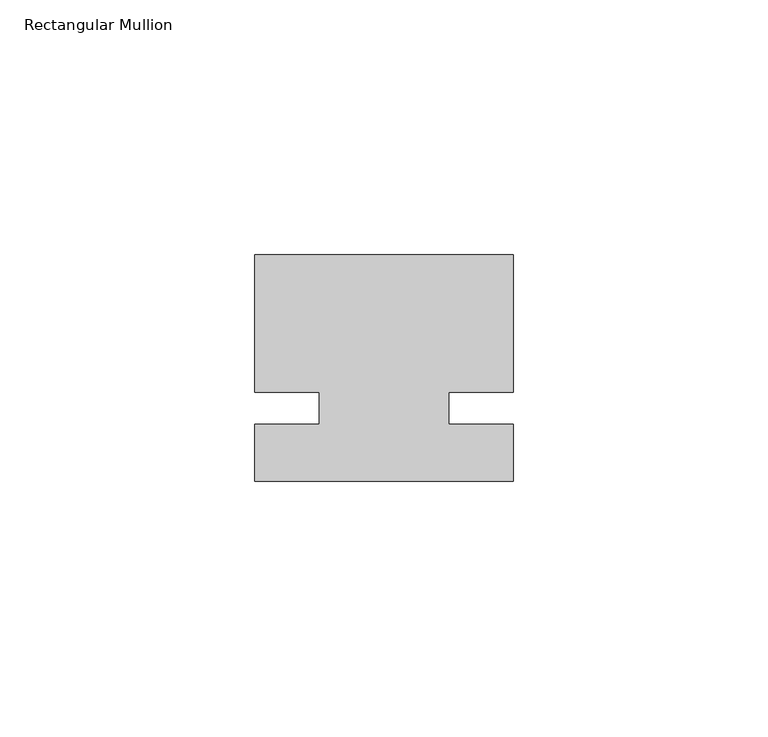
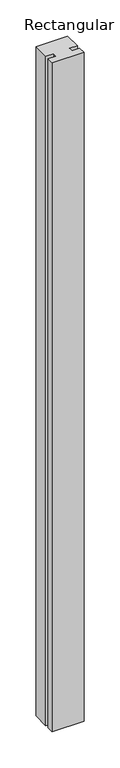
"""IFC4 building model written with IfcOpenShell, lengths in millimetres: member geometry, Rectangular Mullion."""

from ifc_helpers import new_model, si_unit, frame, origin, place, context, project, spatial, polyline, outline, extrude, source, transform, mapped, element, save


def rectangular_mullion_99001184(model_context):
    return source(origin(), model_context, "Body", "SweptSolid", [
        extrude(outline(polyline([(29.7344027, 30.1625), (29.7344027, 3.175), (17.0326322, 3.175), (17.0326322, -3.175), (29.7344027, -3.175), (29.7344027, -14.2875), (-21.0655973, -14.2875), (-21.0655973, -3.175), (-8.3655973, -3.175), (-8.3655973, 3.175), (-21.0655973, 3.175), (-21.0655973, 30.1625), (29.7344027, 30.1625)])), frame((0.0, 0.0, -1130.3), z_axis=(0.0, 0.0, 1.0), x_axis=(1.0, 0.0, 0.0)), (0.0, 0.0, 1.0), 1130.3),
    ])


if __name__ == "__main__":
    model = new_model("IFC4")
    model_context = context("Model", 3, world=origin())
    ifc_project = project(units=[si_unit("LENGTHUNIT", "METRE", prefix="MILLI")], contexts=[model_context])
    site = spatial("IfcSite", under=ifc_project)
    building = spatial("IfcBuilding", under=site)
    placement = place(None, origin())
    rectangular_mullion_shape = rectangular_mullion_99001184(model_context)
    element("IfcMember", 1, ObjectType="Rectangular Mullion", at=placement, inside=building, context=model_context, shape_type="MappedRepresentation", body=[
        mapped(rectangular_mullion_shape, transform((0.0, 0.0, 0.0), x_axis=(1.0, 0.0, 0.0), y_axis=(0.0, 1.0, 0.0), z_axis=(0.0, 0.0, 1.0))),
    ])
    save(model, "model.ifc")
